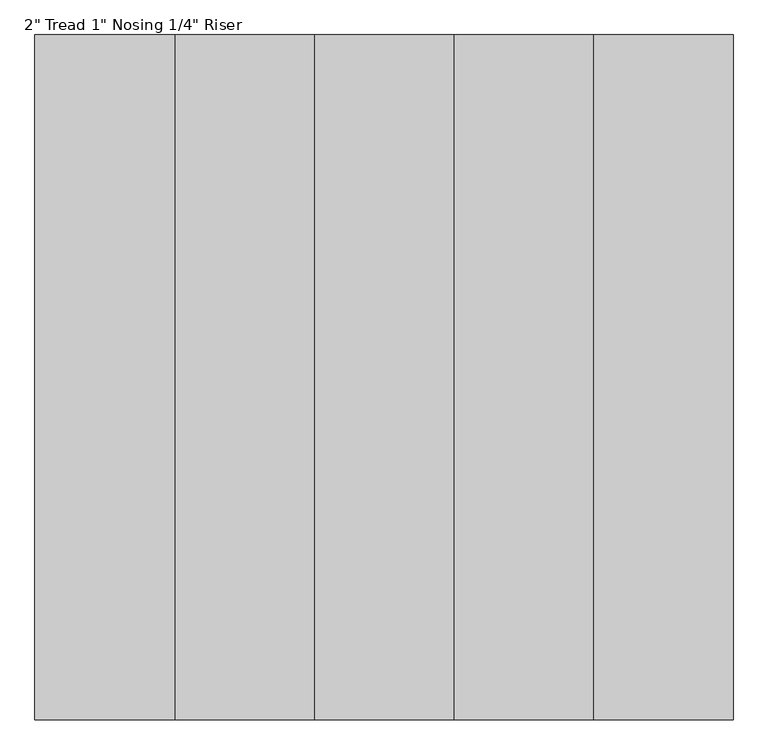
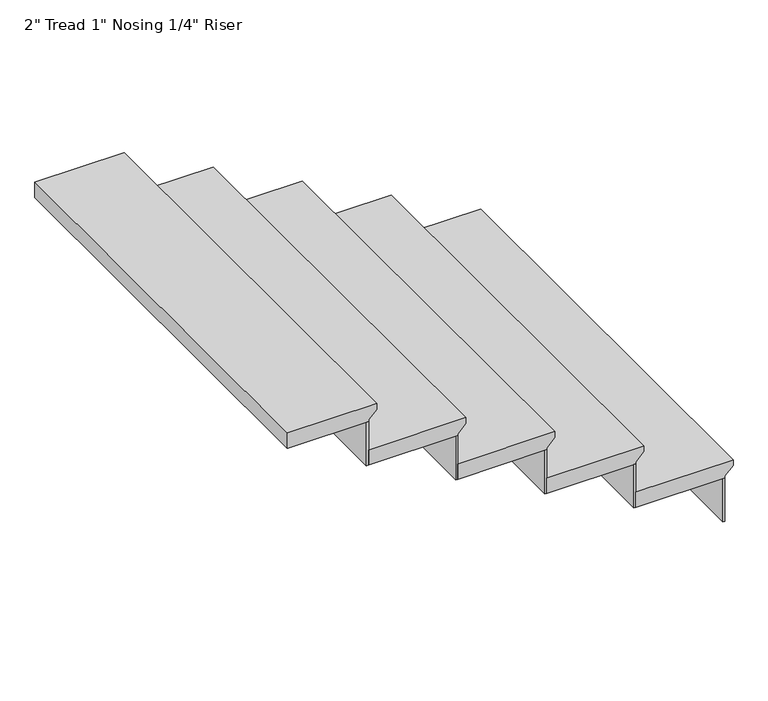
"""IFC4 building model written with IfcOpenShell, lengths in millimetres: stair flight geometry."""

from ifc_helpers import new_model, si_unit, frame, origin, place, context, project, spatial, polyline, outline, extrude, source, transform, mapped, element, save


def stair_flight_6e708c7e(model_context):
    return source(origin(), model_context, "Body", "SweptSolid", [
        extrude(outline(polyline([(-577.5157895, -319703.5918555), (-577.5157895, -320008.3918555), (-628.3157895, -320008.3918555), (-628.3157895, -319728.9918555), (-621.9657895, -319728.9918555), (-596.5657895, -319703.5918555), (-577.5157895, -319703.5918555)])), frame((0.0, 136666.9350981, 0.0), z_axis=(0.0, 1.0, 0.0), x_axis=(0.0, 0.0, 1.0)), (0.0, 0.0, 1.0), 1371.6),
        extrude(outline(polyline([(-319735.3418555, 138038.5350981), (-319728.9918555, 138038.5350981), (-319728.9918555, 136666.9350981), (-319735.3418555, 136666.9350981), (-319735.3418555, 138038.5350981)])), frame((0.0, 0.0, -772.6947368), z_axis=(0.0, 0.0, 1.0), x_axis=(1.0, 0.0, 0.0)), (0.0, 0.0, 1.0), 144.3789474),
        extrude(outline(polyline([(-320014.7418555, 138038.5350981), (-320008.3918555, 138038.5350981), (-320008.3918555, 136666.9350981), (-320014.7418555, 136666.9350981), (-320014.7418555, 138038.5350981)])), frame((0.0, 0.0, -628.3157895), z_axis=(0.0, 0.0, 1.0), x_axis=(1.0, 0.0, 0.0)), (0.0, 0.0, 1.0), 144.3789474),
        extrude(outline(polyline([(-433.1368421, -319982.9918555), (-433.1368421, -320287.7918555), (-483.9368421, -320287.7918555), (-483.9368421, -320008.3918555), (-477.5868421, -320008.3918555), (-452.1868421, -319982.9918555), (-433.1368421, -319982.9918555)])), frame((0.0, 136666.9350981, 0.0), z_axis=(0.0, 1.0, 0.0), x_axis=(0.0, 0.0, 1.0)), (0.0, 0.0, 1.0), 1371.6),
        extrude(outline(polyline([(-320294.1418555, 138038.5350981), (-320287.7918555, 138038.5350981), (-320287.7918555, 136666.9350981), (-320294.1418555, 136666.9350981), (-320294.1418555, 138038.5350981)])), frame((0.0, 0.0, -483.9368421), z_axis=(0.0, 0.0, 1.0), x_axis=(1.0, 0.0, 0.0)), (0.0, 0.0, 1.0), 144.3789474),
        extrude(outline(polyline([(-288.7578947, -320262.3918555), (-288.7578947, -320567.1918555), (-339.5578947, -320567.1918555), (-339.5578947, -320287.7918555), (-333.2078947, -320287.7918555), (-307.8078947, -320262.3918555), (-288.7578947, -320262.3918555)])), frame((0.0, 136666.9350981, 0.0), z_axis=(0.0, 1.0, 0.0), x_axis=(0.0, 0.0, 1.0)), (0.0, 0.0, 1.0), 1371.6),
        extrude(outline(polyline([(-320573.5418555, 138038.5350981), (-320567.1918555, 138038.5350981), (-320567.1918555, 136666.9350981), (-320573.5418555, 136666.9350981), (-320573.5418555, 138038.5350981)])), frame((0.0, 0.0, -339.5578947), z_axis=(0.0, 0.0, 1.0), x_axis=(1.0, 0.0, 0.0)), (0.0, 0.0, 1.0), 144.3789474),
        extrude(outline(polyline([(-144.3789474, -320541.7918555), (-144.3789474, -320846.5918555), (-195.1789474, -320846.5918555), (-195.1789474, -320567.1918555), (-188.8289474, -320567.1918555), (-163.4289474, -320541.7918555), (-144.3789474, -320541.7918555)])), frame((0.0, 136666.9350981, 0.0), z_axis=(0.0, 1.0, 0.0), x_axis=(0.0, 0.0, 1.0)), (0.0, 0.0, 1.0), 1371.6),
        extrude(outline(polyline([(-320852.9418555, 138038.5350981), (-320846.5918555, 138038.5350981), (-320846.5918555, 136666.9350981), (-320852.9418555, 136666.9350981), (-320852.9418555, 138038.5350981)])), frame((0.0, 0.0, -195.1789474), z_axis=(0.0, 0.0, 1.0), x_axis=(1.0, 0.0, 0.0)), (0.0, 0.0, 1.0), 144.3789474),
        extrude(outline(polyline([(0.0, -320821.1918555), (0.0, -321100.5918555), (-50.8, -321100.5918555), (-50.8, -320846.5918555), (-44.45, -320846.5918555), (-19.05, -320821.1918555), (0.0, -320821.1918555)])), frame((0.0, 136666.9350981, 0.0), z_axis=(0.0, 1.0, 0.0), x_axis=(0.0, 0.0, 1.0)), (0.0, 0.0, 1.0), 1371.6),
    ])


if __name__ == "__main__":
    model = new_model("IFC4")
    model_context = context("Model", 3, world=origin())
    ifc_project = project(units=[si_unit("LENGTHUNIT", "METRE", prefix="MILLI")], contexts=[model_context])
    site = spatial("IfcSite", under=ifc_project)
    building = spatial("IfcBuilding", under=site)
    placement = place(None, origin())
    stair_flight_shape = stair_flight_6e708c7e(model_context)
    element("IfcStairFlight", 1, ObjectType="2\" Tread 1\" Nosing 1/4\" Riser", at=placement, inside=building, context=model_context, shape_type="MappedRepresentation", body=[
        mapped(stair_flight_shape, transform((0.0, 0.0, 0.0), x_axis=(1.0, 0.0, 0.0), y_axis=(0.0, 1.0, 0.0), z_axis=(0.0, 0.0, 1.0))),
    ])
    save(model, "model.ifc")
